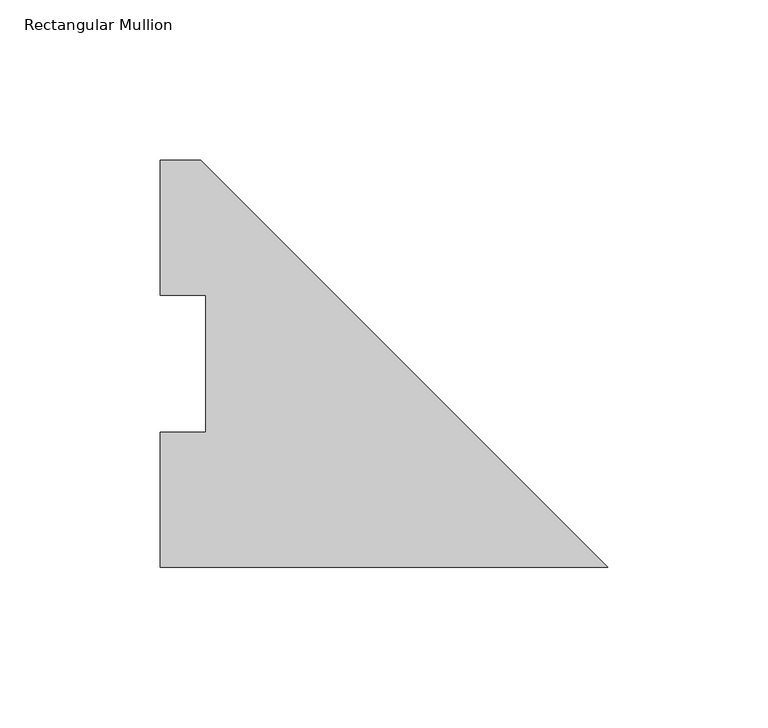
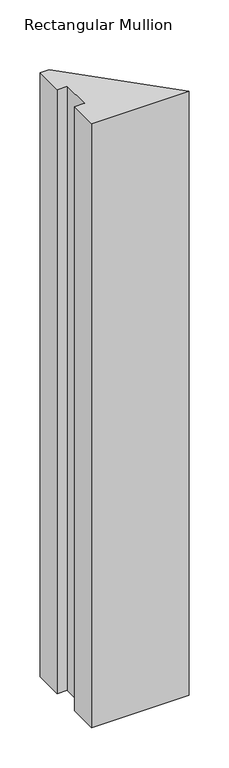
"""IFC4 building model written with IfcOpenShell, lengths in millimetres: member geometry, Rectangular Mullion."""

from ifc_helpers import new_model, si_unit, frame, origin, place, context, project, spatial, polyline, outline, extrude, source, transform, mapped, element, save


def rectangular_mullion_b461aaf6(model_context):
    return source(origin(), model_context, "Body", "SweptSolid", [
        extrude(outline(polyline([(-139.7, -0.2913062), (-139.7, 41.7837938), (-125.4125, 41.7837938), (-125.4125, 84.6335938), (-139.7, 84.6335938), (-139.7, 126.7086938), (-127.0, 126.7086938), (0.0, -0.2913062), (-139.7, -0.2913062)])), frame((0.0, 0.0, -914.4), z_axis=(0.0, 0.0, 1.0), x_axis=(1.0, 0.0, 0.0)), (0.0, 0.0, 1.0), 914.4),
    ])


if __name__ == "__main__":
    model = new_model("IFC4")
    model_context = context("Model", 3, world=origin())
    ifc_project = project(units=[si_unit("LENGTHUNIT", "METRE", prefix="MILLI")], contexts=[model_context])
    site = spatial("IfcSite", under=ifc_project)
    building = spatial("IfcBuilding", under=site)
    placement = place(None, origin())
    rectangular_mullion_shape = rectangular_mullion_b461aaf6(model_context)
    element("IfcMember", 1, ObjectType="Rectangular Mullion", at=placement, inside=building, context=model_context, shape_type="MappedRepresentation", body=[
        mapped(rectangular_mullion_shape, transform((0.0, 0.0, 0.0), x_axis=(1.0, 0.0, 0.0), y_axis=(0.0, 1.0, 0.0), z_axis=(0.0, 0.0, 1.0))),
    ])
    save(model, "model.ifc")
